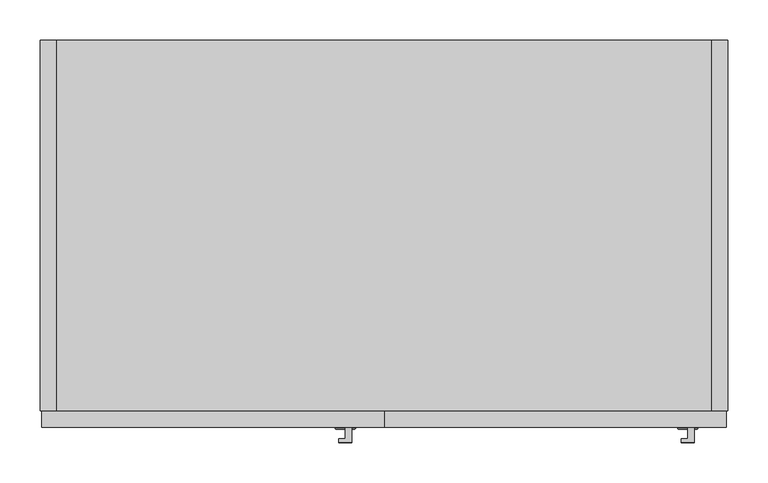
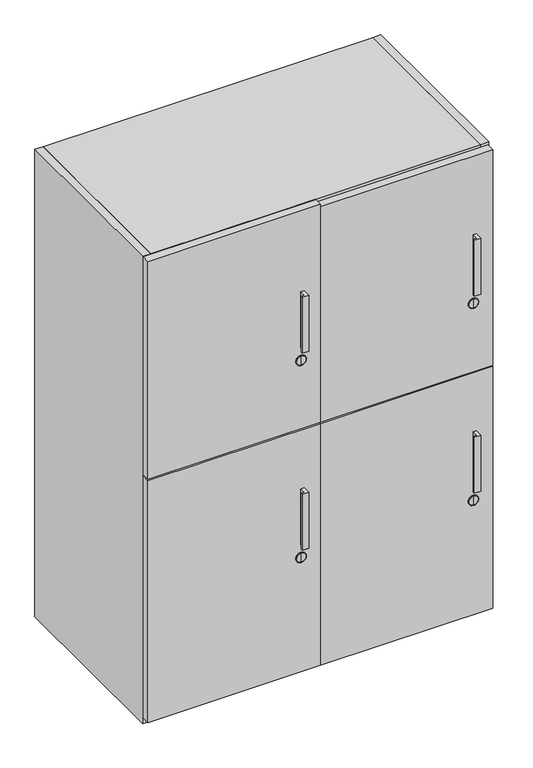
"""IFC4 building model written with IfcOpenShell, lengths in millimetres: furniture geometry."""

import ifcopenshell
import ifcopenshell.guid

model = None  # the IFC model being written
_history = None  # IfcOwnerHistory: only IFC2X3 demands one
_inside = {}  # id of a spatial element -> (the spatial element, [elements in it])
_under = {}  # id of a project, library or spatial element -> (it, [spatial elements below it])
_declared = {}  # id of a project -> (the project, [libraries it declares])
_typed = {}  # id of a type object -> (the type object, [elements of that type])
_made_of = {}  # id of a material, layer set ... -> (it, [elements and type objects made of it])


def new_model(schema):
    """Start an empty IFC model of exactly this schema.

    Asked for "IFC4X3", IfcOpenShell would pick the latest addendum, in which some entities
    have other attributes; the version numbers below select the first issue.
    IFC2X3 requires an IfcOwnerHistory on every rooted entity: one is made here for all.
    """
    global model, _history
    if schema == "IFC4X3":
        model = ifcopenshell.file(schema_version=(4, 3, 0, 0))
    else:
        model = ifcopenshell.file(schema=schema)
    _inside.clear()
    _under.clear()
    _declared.clear()
    _typed.clear()
    _made_of.clear()
    _history = None
    if model.schema == "IFC2X3":
        org = make("IfcOrganization", Name="unknown")
        user = make(
            "IfcPersonAndOrganization",
            ThePerson=make("IfcPerson", FamilyName="unknown"),
            TheOrganization=org,
        )
        app = make(
            "IfcApplication",
            ApplicationDeveloper=org,
            Version="unknown",
            ApplicationFullName="unknown",
            ApplicationIdentifier="unknown",
        )
        _history = make(
            "IfcOwnerHistory",
            OwningUser=user,
            OwningApplication=app,
            ChangeAction="ADDED",
            CreationDate=0,
        )
    return model


def make(cls, **values):
    """One entity of the class cls with the attributes given. An attribute that is None is left unset."""
    return model.create_entity(
        cls, **{name: value for name, value in values.items() if value is not None}
    )


def rooted(cls, **values):
    """An entity with a GlobalId (a new one), such as an element, a storey or a relation."""
    return make(cls, GlobalId=ifcopenshell.guid.new(), OwnerHistory=_history, **values)


def si_unit(unit_type, name, prefix=None):
    """IfcSIUnit, for example si_unit("LENGTHUNIT", "METRE", prefix="MILLI")."""
    return make("IfcSIUnit", UnitType=unit_type, Prefix=prefix, Name=name)


def assignment(units):
    """IfcUnitAssignment: the units of a project."""
    return None if units is None else make("IfcUnitAssignment", Units=units)


def point(xyz):
    """IfcCartesianPoint."""
    return None if xyz is None else make("IfcCartesianPoint", Coordinates=xyz)


def direction(xyz):
    """IfcDirection."""
    return None if xyz is None else make("IfcDirection", DirectionRatios=xyz)


def frame(location, z_axis=None, x_axis=None):
    """IfcAxis2Placement3D, a coordinate frame: its origin and axes. An axis left out is left unset."""
    return make(
        "IfcAxis2Placement3D",
        Location=point(location),
        Axis=direction(z_axis),
        RefDirection=direction(x_axis),
    )


def origin():
    """The frame at (0, 0, 0) with its axes left unset."""
    return frame((0.0, 0.0, 0.0))


def origin_with_axes():
    """The frame at (0, 0, 0) with the z axis (0, 0, 1) and the x axis (1, 0, 0) written out."""
    return frame((0.0, 0.0, 0.0), z_axis=(0.0, 0.0, 1.0), x_axis=(1.0, 0.0, 0.0))


def place(relative_to, where):
    """IfcLocalPlacement: puts the frame where relative to a parent placement (None: the world)."""
    return make(
        "IfcLocalPlacement", PlacementRelTo=relative_to, RelativePlacement=where
    )


def context(
    kind, dimensions, precision=None, world=None, true_north=None, identifier=None
):
    """IfcGeometricRepresentationContext, for example the 3D "Model" context."""
    return make(
        "IfcGeometricRepresentationContext",
        ContextIdentifier=identifier,
        ContextType=kind,
        CoordinateSpaceDimension=dimensions,
        Precision=precision,
        WorldCoordinateSystem=world,
        TrueNorth=true_north,
    )


def project(units=None, contexts=None):
    """IfcProject with its units and contexts."""
    return rooted(
        "IfcProject",
        Name="project",
        RepresentationContexts=contexts,
        UnitsInContext=assignment(units),
    )


def spatial(cls, under=None, at=None, **own):
    """A site, building, storey or space (cls), placed at a placement, below another one or the project."""
    s = rooted(cls, ObjectPlacement=at, **own)
    if under is not None:
        _under.setdefault(under.id(), (under, []))[1].append(s)
    return s


def polyline(points):
    """IfcPolyline through the points."""
    return make("IfcPolyline", Points=[point(p) for p in points])


def circle_curve(where, radius):
    """IfcCircle in the frame where."""
    return make("IfcCircle", Position=where, Radius=radius)


def ellipse_curve(where, semi_axis1, semi_axis2):
    """IfcEllipse in the frame where."""
    return make(
        "IfcEllipse", Position=where, SemiAxis1=semi_axis1, SemiAxis2=semi_axis2
    )


def trimmed(basis, trim1, trim2, sense, master):
    """IfcTrimmedCurve: the piece of a basis curve between two trims."""
    return make(
        "IfcTrimmedCurve",
        BasisCurve=basis,
        Trim1=trim1,
        Trim2=trim2,
        SenseAgreement=sense,
        MasterRepresentation=master,
    )


def outline(outer, holes=None, kind="AREA"):
    """IfcArbitraryClosedProfileDef: a profile drawn as a closed curve; with holes, ...WithVoids."""
    if holes is None:
        return make("IfcArbitraryClosedProfileDef", ProfileType=kind, OuterCurve=outer)
    return make(
        "IfcArbitraryProfileDefWithVoids",
        ProfileType=kind,
        OuterCurve=outer,
        InnerCurves=holes,
    )


def extrude(swept, where, along, depth):
    """IfcExtrudedAreaSolid: the profile swept, set in the frame where, extruded along a direction by depth."""
    return make(
        "IfcExtrudedAreaSolid",
        SweptArea=swept,
        Position=where,
        ExtrudedDirection=direction(along),
        Depth=depth,
    )


def shape(context_of_items, identifier, shape_type, items):
    """IfcShapeRepresentation: the items that make up one representation, for example the "Body"."""
    return make(
        "IfcShapeRepresentation",
        ContextOfItems=context_of_items,
        RepresentationIdentifier=identifier,
        RepresentationType=shape_type,
        Items=items,
    )


def source(mapping_origin, context_of_items, identifier, shape_type, items):
    """IfcRepresentationMap: a shape defined once, which mapped items show again and again."""
    return make(
        "IfcRepresentationMap",
        MappingOrigin=mapping_origin,
        MappedRepresentation=shape(context_of_items, identifier, shape_type, items),
    )


def transform(
    local_origin,
    x_axis=None,
    y_axis=None,
    z_axis=None,
    scale=None,
    scale2=None,
    scale3=None,
    uniform=True,
):
    """IfcCartesianTransformationOperator3D, or its non-uniform kind. x_axis, y_axis, z_axis: its Axis1, 2, 3."""
    if uniform:
        return make(
            "IfcCartesianTransformationOperator3D",
            Axis1=direction(x_axis),
            Axis2=direction(y_axis),
            LocalOrigin=point(local_origin),
            Scale=scale,
            Axis3=direction(z_axis),
        )
    return make(
        "IfcCartesianTransformationOperator3DnonUniform",
        Axis1=direction(x_axis),
        Axis2=direction(y_axis),
        LocalOrigin=point(local_origin),
        Scale=scale,
        Axis3=direction(z_axis),
        Scale2=scale2,
        Scale3=scale3,
    )


def mapped(mapping_source, mapping_target):
    """IfcMappedItem: shows the shape of a source again, moved by a transform."""
    return make(
        "IfcMappedItem", MappingSource=mapping_source, MappingTarget=mapping_target
    )


def made_of(thing, what):
    """Note that an element or type object is made of a material, layer set ...; save() writes the relation."""
    if what is not None:
        _made_of.setdefault(what.id(), (what, []))[1].append(thing)
    return thing


def element(
    cls,
    number,
    at=None,
    inside=None,
    cuts=None,
    type_object=None,
    material=None,
    context=None,
    identifier="Body",
    shape_type=None,
    held_by="IfcProductDefinitionShape",
    body=None,
    shapes=None,
    **own,
):
    """One element of the class cls, such as IfcWall. Its Tag is "e" and its number.

    at: its placement. inside: the storey or other place that contains it. cuts: it is an
    opening in that element (IfcRelVoidsElement). A single representation is given by context,
    identifier, shape_type and body (its items); several are given by shapes. held_by: the class
    of the entity that holds the representations. save() writes the other relations.
    """
    e = rooted(cls, Tag="e%d" % number, ObjectPlacement=at, **own)
    if body is not None:
        shapes = [shape(context, identifier, shape_type, body)]
    if shapes is not None:
        e.Representation = make(held_by, Representations=shapes)
    if inside is not None:
        _inside.setdefault(inside.id(), (inside, []))[1].append(e)
    if cuts is not None:
        rooted(
            "IfcRelVoidsElement", RelatingBuildingElement=cuts, RelatedOpeningElement=e
        )
    if type_object is not None:
        _typed.setdefault(type_object.id(), (type_object, []))[1].append(e)
    return made_of(e, material)


def aggregate(whole, parts):
    """IfcRelAggregates: a whole, such as a stair, and the parts it consists of."""
    return rooted("IfcRelAggregates", RelatingObject=whole, RelatedObjects=parts)


def save(model, path):
    """Write the relations noted so far, then the file.

    IfcRelAggregates (storeys below a building ...), IfcRelContainedInSpatialStructure (elements
    in a storey), IfcRelDefinesByType, IfcRelAssociatesMaterial and IfcRelDeclares: one each for
    every whole, place, type object, material and project.
    """
    for whole, parts in _under.values():
        aggregate(whole, parts)
    for where, things in _inside.values():
        rooted(
            "IfcRelContainedInSpatialStructure",
            RelatedElements=things,
            RelatingStructure=where,
        )
    for kind, things in _typed.values():
        rooted("IfcRelDefinesByType", RelatedObjects=things, RelatingType=kind)
    for what, things in _made_of.values():
        rooted("IfcRelAssociatesMaterial", RelatedObjects=things, RelatingMaterial=what)
    for by, libraries in _declared.values():
        rooted("IfcRelDeclares", RelatingContext=by, RelatedDefinitions=libraries)
    model.write(path)


def plane_surface(at):
    """IfcPlane: the flat surface through the origin of the frame at, square to its z axis."""
    return make("IfcPlane", Position=at)


def cylinder_surface(at, radius):
    """IfcCylindricalSurface: all points at the distance radius from the z axis of the frame at."""
    return make("IfcCylindricalSurface", Position=at, Radius=radius)


def revolved_surface(curve, axis_point, axis_direction):
    """IfcSurfaceOfRevolution: the curve turned about the line through axis_point along axis_direction."""
    return make(
        "IfcSurfaceOfRevolution",
        SweptCurve=make("IfcArbitraryOpenProfileDef", ProfileType="CURVE", Curve=curve),
        AxisPosition=make("IfcAxis1Placement", Location=point(axis_point), Axis=direction(axis_direction)),
    )


def advanced_brep(points, edges, surfaces, faces):
    """IfcAdvancedBrep: a solid bounded by faces that lie on surfaces and meet in shared edges.

    An edge is (start, end): straight between two places in points (the first is 0);
    or (start, end, curve); or (start, end, curve, False) where it runs against its curve.
    A face is (place in surfaces, loops), or (place, loops, False) where it looks against
    its surface's normal. A loop lists edges by number (the first is 1), with a minus sign
    where the edge is run from its end to its start. The first loop is the outer one.
    """
    corners = [point(p) for p in points]
    vertices = [make("IfcVertexPoint", VertexGeometry=c) for c in corners]
    made = []
    for start, end, *more in edges:
        made.append(
            make(
                "IfcEdgeCurve",
                EdgeStart=vertices[start],
                EdgeEnd=vertices[end],
                EdgeGeometry=more[0] if more else make("IfcPolyline", Points=[corners[start], corners[end]]),
                SameSense=more[1] if len(more) > 1 else True,
            )
        )
    hull = []
    for where, loops, *sense in faces:
        bounds = []
        for j, loop in enumerate(loops):
            ring = [make("IfcOrientedEdge", EdgeElement=made[abs(k) - 1], Orientation=k > 0) for k in loop]
            bounds.append(
                make(
                    "IfcFaceOuterBound" if j == 0 else "IfcFaceBound",
                    Bound=make("IfcEdgeLoop", EdgeList=ring),
                    Orientation=True,
                )
            )
        hull.append(make("IfcAdvancedFace", Bounds=bounds, FaceSurface=surfaces[where], SameSense=sense[0] if sense else True))
    return make("IfcAdvancedBrep", Outer=make("IfcClosedShell", CfsFaces=hull))


def furniture_2c0eb4c9(model_context):
    return source(origin(), model_context, "Body", "SolidModel", [
        advanced_brep(
        [(378.206, -482.092, 816.200722), (378.206, -482.092, 838.8790958), (378.206, -482.092, 827.5399089), (378.206, -480.7311869, 814.8399089), (378.206, -480.7311869, 840.2399089), (378.206, -479.552, 814.8399089), (378.206, -479.552, 840.2399089), (378.206, -479.552, 827.5399089)],
        [
            (0, 1, circle_curve(frame((378.206, -482.092, 827.5399089), z_axis=(0.0, -1.0, 0.0), x_axis=(0.0, 0.0, 1.0)), 11.3391869)),
            (1, 2),
            (2, 0),
            (1, 0, circle_curve(frame((378.206, -482.092, 827.5399089), z_axis=(0.0, -1.0, 0.0), x_axis=(0.0, 0.0, 1.0)), 11.3391869)),
            (3, 4, circle_curve(frame((378.206, -480.7311869, 827.5399089), z_axis=(0.0, -1.0, 0.0), x_axis=(0.0, 0.0, 1.0)), 12.7)),
            (4, 1, circle_curve(frame((378.206, -480.7311869, 838.8790958), z_axis=(1.0, 0.0, 0.0), x_axis=(0.0, -1.0, 0.0)), 1.3608131)),
            (0, 3, circle_curve(frame((378.206, -480.7311869, 816.200722), z_axis=(1.0, 0.0, 0.0), x_axis=(0.0, -1.0, 0.0)), 1.3608131)),
            (4, 3, circle_curve(frame((378.206, -480.7311869, 827.5399089), z_axis=(0.0, -1.0, 0.0), x_axis=(0.0, 0.0, 1.0)), 12.7)),
            (5, 6, circle_curve(frame((378.206, -479.552, 827.5399089), z_axis=(0.0, -1.0, 0.0), x_axis=(0.0, 0.0, 1.0)), 12.7)),
            (6, 4),
            (3, 5),
            (6, 5, circle_curve(frame((378.206, -479.552, 827.5399089), z_axis=(0.0, -1.0, 0.0), x_axis=(0.0, 0.0, 1.0)), 12.7)),
            (7, 6),
            (5, 7),
        ],
        [
            plane_surface(frame((378.206, -482.092, 827.5399089), z_axis=(0.0, -1.0, 0.0), x_axis=(0.0, 0.0, 1.0))),
            revolved_surface(trimmed(ellipse_curve(frame((378.206, -480.7311869, 838.8790958), z_axis=(-1.0, 0.0, 0.0), x_axis=(0.0, -1.0, 0.0)), 1.3608131, 1.3608131), [point((378.206, -482.092, 838.8790958))], [point((378.206, -480.7311869, 840.2399089))], True, "CARTESIAN"), (378.206, -552.4232944, 827.5399089), (0.0, 1.0, 0.0)),
            cylinder_surface(frame((378.206, -552.4232944, 827.5399089), z_axis=(0.0, 1.0, 0.0), x_axis=(0.0, 0.0, 1.0)), 12.7),
            plane_surface(frame((378.206, -479.552, 827.5399089), z_axis=(0.0, 1.0, 0.0), x_axis=(0.0, 0.0, 1.0))),
        ],
        [
            (0, [[1, 2, 3]]),
            (0, [[4, -3, -2]]),
            (1, [[5, 6, -1, 7]]),
            (1, [[8, -7, -4, -6]]),
            (2, [[9, 10, -5, 11]]),
            (2, [[12, -11, -8, -10]]),
            (3, [[13, -9, 14]]),
            (3, [[-14, -12, -13]]),
        ],
    ),
        extrude(outline(polyline([(386.2989926, -479.552), (386.2989926, -498.6758872), (370.3119347, -498.6758872), (370.3119347, -494.112998), (378.206, -494.112998), (378.206, -479.552), (386.2989926, -479.552)])), frame((0.0, 0.0, 859.2899089), z_axis=(0.0, 0.0, 1.0), x_axis=(1.0, 0.0, 0.0)), (0.0, 0.0, 1.0), 146.0341822),
        advanced_brep(
        [(378.206, -482.092, 302.993722), (378.206, -482.092, 325.6720958), (378.206, -482.092, 314.3329089), (378.206, -480.7311869, 301.6329089), (378.206, -480.7311869, 327.0329089), (378.206, -479.552, 301.6329089), (378.206, -479.552, 327.0329089), (378.206, -479.552, 314.3329089)],
        [
            (0, 1, circle_curve(frame((378.206, -482.092, 314.3329089), z_axis=(0.0, -1.0, 0.0), x_axis=(0.0, 0.0, 1.0)), 11.3391869)),
            (1, 2),
            (2, 0),
            (1, 0, circle_curve(frame((378.206, -482.092, 314.3329089), z_axis=(0.0, -1.0, 0.0), x_axis=(0.0, 0.0, 1.0)), 11.3391869)),
            (3, 4, circle_curve(frame((378.206, -480.7311869, 314.3329089), z_axis=(0.0, -1.0, 0.0), x_axis=(0.0, 0.0, 1.0)), 12.7)),
            (4, 1, circle_curve(frame((378.206, -480.7311869, 325.6720958), z_axis=(1.0, 0.0, 0.0), x_axis=(0.0, -1.0, 0.0)), 1.3608131)),
            (0, 3, circle_curve(frame((378.206, -480.7311869, 302.993722), z_axis=(1.0, 0.0, 0.0), x_axis=(0.0, -1.0, 0.0)), 1.3608131)),
            (4, 3, circle_curve(frame((378.206, -480.7311869, 314.3329089), z_axis=(0.0, -1.0, 0.0), x_axis=(0.0, 0.0, 1.0)), 12.7)),
            (5, 6, circle_curve(frame((378.206, -479.552, 314.3329089), z_axis=(0.0, -1.0, 0.0), x_axis=(0.0, 0.0, 1.0)), 12.7)),
            (6, 4),
            (3, 5),
            (6, 5, circle_curve(frame((378.206, -479.552, 314.3329089), z_axis=(0.0, -1.0, 0.0), x_axis=(0.0, 0.0, 1.0)), 12.7)),
            (7, 6),
            (5, 7),
        ],
        [
            plane_surface(frame((378.206, -482.092, 314.3329089), z_axis=(0.0, -1.0, 0.0), x_axis=(0.0, 0.0, 1.0))),
            revolved_surface(trimmed(ellipse_curve(frame((378.206, -480.7311869, 325.6720958), z_axis=(-1.0, 0.0, 0.0), x_axis=(0.0, -1.0, 0.0)), 1.3608131, 1.3608131), [point((378.206, -482.092, 325.6720958))], [point((378.206, -480.7311869, 327.0329089))], True, "CARTESIAN"), (378.206, -552.4232944, 314.3329089), (0.0, 1.0, 0.0)),
            cylinder_surface(frame((378.206, -552.4232944, 314.3329089), z_axis=(0.0, 1.0, 0.0), x_axis=(0.0, 0.0, 1.0)), 12.7),
            plane_surface(frame((378.206, -479.552, 314.3329089), z_axis=(0.0, 1.0, 0.0), x_axis=(0.0, 0.0, 1.0))),
        ],
        [
            (0, [[1, 2, 3]]),
            (0, [[4, -3, -2]]),
            (1, [[5, 6, -1, 7]]),
            (1, [[8, -7, -4, -6]]),
            (2, [[9, 10, -5, 11]]),
            (2, [[12, -11, -8, -10]]),
            (3, [[13, -9, 14]]),
            (3, [[-14, -12, -13]]),
        ],
    ),
        extrude(outline(polyline([(386.2989926, -479.552), (386.2989926, -498.6758872), (370.3119347, -498.6758872), (370.3119347, -494.112998), (378.206, -494.112998), (378.206, -479.552), (386.2989926, -479.552)])), frame((0.0, 0.0, 346.0829089), z_axis=(0.0, 0.0, 1.0), x_axis=(1.0, 0.0, 0.0)), (0.0, 0.0, 1.0), 146.0341822),
        advanced_brep(
        [(802.894, -482.092, 816.200722), (802.894, -482.092, 838.8790958), (802.894, -482.092, 827.5399089), (802.894, -480.7311869, 814.8399089), (802.894, -480.7311869, 840.2399089), (802.894, -479.552, 814.8399089), (802.894, -479.552, 840.2399089), (802.894, -479.552, 827.5399089)],
        [
            (0, 1, circle_curve(frame((802.894, -482.092, 827.5399089), z_axis=(0.0, -1.0, 0.0), x_axis=(0.0, 0.0, 1.0)), 11.3391869)),
            (1, 2),
            (2, 0),
            (1, 0, circle_curve(frame((802.894, -482.092, 827.5399089), z_axis=(0.0, -1.0, 0.0), x_axis=(0.0, 0.0, 1.0)), 11.3391869)),
            (3, 4, circle_curve(frame((802.894, -480.7311869, 827.5399089), z_axis=(0.0, -1.0, 0.0), x_axis=(0.0, 0.0, 1.0)), 12.7)),
            (4, 1, circle_curve(frame((802.894, -480.7311869, 838.8790958), z_axis=(1.0, 0.0, 0.0), x_axis=(0.0, -1.0, 0.0)), 1.3608131)),
            (0, 3, circle_curve(frame((802.894, -480.7311869, 816.200722), z_axis=(1.0, 0.0, 0.0), x_axis=(0.0, -1.0, 0.0)), 1.3608131)),
            (4, 3, circle_curve(frame((802.894, -480.7311869, 827.5399089), z_axis=(0.0, -1.0, 0.0), x_axis=(0.0, 0.0, 1.0)), 12.7)),
            (5, 6, circle_curve(frame((802.894, -479.552, 827.5399089), z_axis=(0.0, -1.0, 0.0), x_axis=(0.0, 0.0, 1.0)), 12.7)),
            (6, 4),
            (3, 5),
            (6, 5, circle_curve(frame((802.894, -479.552, 827.5399089), z_axis=(0.0, -1.0, 0.0), x_axis=(0.0, 0.0, 1.0)), 12.7)),
            (7, 6),
            (5, 7),
        ],
        [
            plane_surface(frame((802.894, -482.092, 827.5399089), z_axis=(0.0, -1.0, 0.0), x_axis=(0.0, 0.0, 1.0))),
            revolved_surface(trimmed(ellipse_curve(frame((802.894, -480.7311869, 838.8790958), z_axis=(-1.0, 0.0, 0.0), x_axis=(0.0, -1.0, 0.0)), 1.3608131, 1.3608131), [point((802.894, -482.092, 838.8790958))], [point((802.894, -480.7311869, 840.2399089))], True, "CARTESIAN"), (802.894, -552.4232944, 827.5399089), (0.0, 1.0, 0.0)),
            cylinder_surface(frame((802.894, -552.4232944, 827.5399089), z_axis=(0.0, 1.0, 0.0), x_axis=(0.0, 0.0, 1.0)), 12.7),
            plane_surface(frame((802.894, -479.552, 827.5399089), z_axis=(0.0, 1.0, 0.0), x_axis=(0.0, 0.0, 1.0))),
        ],
        [
            (0, [[1, 2, 3]]),
            (0, [[4, -3, -2]]),
            (1, [[5, 6, -1, 7]]),
            (1, [[8, -7, -4, -6]]),
            (2, [[9, 10, -5, 11]]),
            (2, [[12, -11, -8, -10]]),
            (3, [[13, -9, 14]]),
            (3, [[-14, -12, -13]]),
        ],
    ),
        extrude(outline(polyline([(810.9869926, -479.552), (810.9869926, -498.6758872), (794.9999347, -498.6758872), (794.9999347, -494.112998), (802.894, -494.112998), (802.894, -479.552), (810.9869926, -479.552)])), frame((0.0, 0.0, 859.2899089), z_axis=(0.0, 0.0, 1.0), x_axis=(1.0, 0.0, 0.0)), (0.0, 0.0, 1.0), 146.0341822),
        advanced_brep(
        [(802.894, -482.092, 302.993722), (802.894, -482.092, 325.6720958), (802.894, -482.092, 314.3329089), (802.894, -480.7311869, 301.6329089), (802.894, -480.7311869, 327.0329089), (802.894, -479.552, 301.6329089), (802.894, -479.552, 327.0329089), (802.894, -479.552, 314.3329089)],
        [
            (0, 1, circle_curve(frame((802.894, -482.092, 314.3329089), z_axis=(0.0, -1.0, 0.0), x_axis=(0.0, 0.0, 1.0)), 11.3391869)),
            (1, 2),
            (2, 0),
            (1, 0, circle_curve(frame((802.894, -482.092, 314.3329089), z_axis=(0.0, -1.0, 0.0), x_axis=(0.0, 0.0, 1.0)), 11.3391869)),
            (3, 4, circle_curve(frame((802.894, -480.7311869, 314.3329089), z_axis=(0.0, -1.0, 0.0), x_axis=(0.0, 0.0, 1.0)), 12.7)),
            (4, 1, circle_curve(frame((802.894, -480.7311869, 325.6720958), z_axis=(1.0, 0.0, 0.0), x_axis=(0.0, -1.0, 0.0)), 1.3608131)),
            (0, 3, circle_curve(frame((802.894, -480.7311869, 302.993722), z_axis=(1.0, 0.0, 0.0), x_axis=(0.0, -1.0, 0.0)), 1.3608131)),
            (4, 3, circle_curve(frame((802.894, -480.7311869, 314.3329089), z_axis=(0.0, -1.0, 0.0), x_axis=(0.0, 0.0, 1.0)), 12.7)),
            (5, 6, circle_curve(frame((802.894, -479.552, 314.3329089), z_axis=(0.0, -1.0, 0.0), x_axis=(0.0, 0.0, 1.0)), 12.7)),
            (6, 4),
            (3, 5),
            (6, 5, circle_curve(frame((802.894, -479.552, 314.3329089), z_axis=(0.0, -1.0, 0.0), x_axis=(0.0, 0.0, 1.0)), 12.7)),
            (7, 6),
            (5, 7),
        ],
        [
            plane_surface(frame((802.894, -482.092, 314.3329089), z_axis=(0.0, -1.0, 0.0), x_axis=(0.0, 0.0, 1.0))),
            revolved_surface(trimmed(ellipse_curve(frame((802.894, -480.7311869, 325.6720958), z_axis=(-1.0, 0.0, 0.0), x_axis=(0.0, -1.0, 0.0)), 1.3608131, 1.3608131), [point((802.894, -482.092, 325.6720958))], [point((802.894, -480.7311869, 327.0329089))], True, "CARTESIAN"), (802.894, -552.4232944, 314.3329089), (0.0, 1.0, 0.0)),
            cylinder_surface(frame((802.894, -552.4232944, 314.3329089), z_axis=(0.0, 1.0, 0.0), x_axis=(0.0, 0.0, 1.0)), 12.7),
            plane_surface(frame((802.894, -479.552, 314.3329089), z_axis=(0.0, 1.0, 0.0), x_axis=(0.0, 0.0, 1.0))),
        ],
        [
            (0, [[1, 2, 3]]),
            (0, [[4, -3, -2]]),
            (1, [[5, 6, -1, 7]]),
            (1, [[8, -7, -4, -6]]),
            (2, [[9, 10, -5, 11]]),
            (2, [[12, -11, -8, -10]]),
            (3, [[13, -9, 14]]),
            (3, [[-14, -12, -13]]),
        ],
    ),
        extrude(outline(polyline([(810.9869926, -479.552), (810.9869926, -498.6758872), (794.9999347, -498.6758872), (794.9999347, -494.112998), (802.894, -494.112998), (802.894, -479.552), (810.9869926, -479.552)])), frame((0.0, 0.0, 346.0829089), z_axis=(0.0, 0.0, 1.0), x_axis=(1.0, 0.0, 0.0)), (0.0, 0.0, 1.0), 146.0341822),
        extrude(outline(polyline([(426.212, -479.552), (1.524, -479.552), (1.524, -459.1557568), (426.212, -459.1557568), (426.212, -479.552)])), frame((0.0, 0.0, 15.24), z_axis=(0.0, 0.0, 1.0), x_axis=(1.0, 0.0, 0.0)), (0.0, 0.0, 1.0), 630.174),
        extrude(outline(polyline([(426.212, -479.552), (1.524, -479.552), (1.524, -459.1557568), (426.212, -459.1557568), (426.212, -479.552)])), frame((0.0, 0.0, 648.462), z_axis=(0.0, 0.0, 1.0), x_axis=(1.0, 0.0, 0.0)), (0.0, 0.0, 1.0), 567.69),
        extrude(outline(polyline([(850.9, -479.552), (426.212, -479.552), (426.212, -459.1557568), (850.9, -459.1557568), (850.9, -479.552)])), frame((0.0, 0.0, 648.462), z_axis=(0.0, 0.0, 1.0), x_axis=(1.0, 0.0, 0.0)), (0.0, 0.0, 1.0), 561.594),
        extrude(outline(polyline([(850.9, -479.552), (426.212, -479.552), (426.212, -459.1557568), (850.9, -459.1557568), (850.9, -479.552)])), frame((0.0, 0.0, 15.24), z_axis=(0.0, 0.0, 1.0), x_axis=(1.0, 0.0, 0.0)), (0.0, 0.0, 1.0), 630.174),
        extrude(outline(polyline([(0.0, 1196.086), (-1.524, 1196.086), (-1.524, 0.0), (-457.6317568, 0.0), (-457.6317568, 76.2), (-459.1557568, 76.2), (-459.1557568, 1217.676), (0.0, 1217.676), (0.0, 1196.086)])), frame((20.32, 0.0, 0.0), z_axis=(1.0, 0.0, 0.0), x_axis=(0.0, 1.0, 0.0)), (0.0, 0.0, 1.0), 811.784),
        extrude(outline(polyline([(20.32, 0.0), (20.32, -459.1557568), (0.0, -459.1557568), (0.0, 0.0), (20.32, 0.0)])), origin_with_axes(), (0.0, 0.0, 1.0), 1217.676),
        extrude(outline(polyline([(832.104, -459.1557568), (832.104, 0.0), (852.424, 0.0), (852.424, -459.1557568), (832.104, -459.1557568)])), origin_with_axes(), (0.0, 0.0, 1.0), 1217.676),
    ])


if __name__ == "__main__":
    model = new_model("IFC4")
    model_context = context("Model", 3, world=origin())
    ifc_project = project(units=[si_unit("LENGTHUNIT", "METRE", prefix="MILLI")], contexts=[model_context])
    site = spatial("IfcSite", under=ifc_project)
    building = spatial("IfcBuilding", under=site)
    placement = place(None, origin())
    furniture_shape = furniture_2c0eb4c9(model_context)
    element("IfcFurniture", 1, at=placement, inside=building, context=model_context, shape_type="MappedRepresentation", body=[
        mapped(furniture_shape, transform((0.0, 0.0, 0.0), x_axis=(1.0, 0.0, 0.0), y_axis=(0.0, 1.0, 0.0), z_axis=(0.0, 0.0, 1.0))),
    ])
    save(model, "model.ifc")
